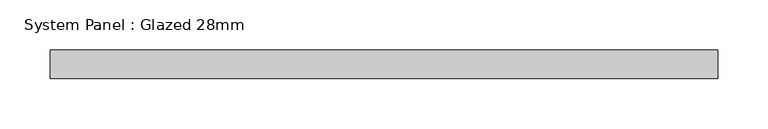
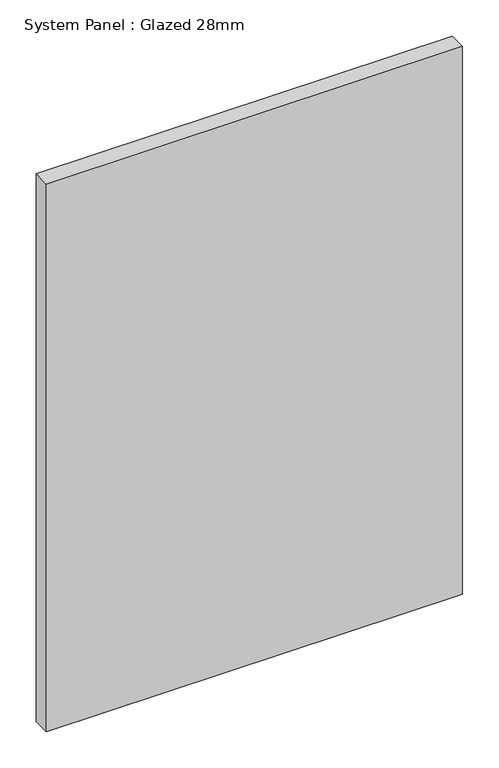
"""IFC4 building model written with IfcOpenShell, lengths in millimetres: plate geometry, System Panel : Glazed 28mm."""

from ifc_helpers import new_model, si_unit, origin, origin_with_axes, place, context, project, spatial, polyline, outline, extrude, source, transform, mapped, element, save


def system_panel_glazed_28mm_6968567b(model_context):
    return source(origin(), model_context, "Body", "SweptSolid", [
        extrude(outline(polyline([(330.5938607, -14.0), (-330.5938607, -14.0), (-330.5938607, 14.0), (330.5938607, 14.0), (330.5938607, -14.0)])), origin_with_axes(), (0.0, 0.0, 1.0), 920.6595328),
    ])


if __name__ == "__main__":
    model = new_model("IFC4")
    model_context = context("Model", 3, world=origin())
    ifc_project = project(units=[si_unit("LENGTHUNIT", "METRE", prefix="MILLI")], contexts=[model_context])
    site = spatial("IfcSite", under=ifc_project)
    building = spatial("IfcBuilding", under=site)
    placement = place(None, origin())
    system_panel_glazed_28mm_shape = system_panel_glazed_28mm_6968567b(model_context)
    element("IfcPlate", 1, ObjectType="System Panel : Glazed 28mm", at=placement, inside=building, context=model_context, shape_type="MappedRepresentation", body=[
        mapped(system_panel_glazed_28mm_shape, transform((0.0, 0.0, 0.0), x_axis=(1.0, 0.0, 0.0), y_axis=(0.0, 1.0, 0.0), z_axis=(0.0, 0.0, 1.0))),
    ])
    save(model, "model.ifc")
